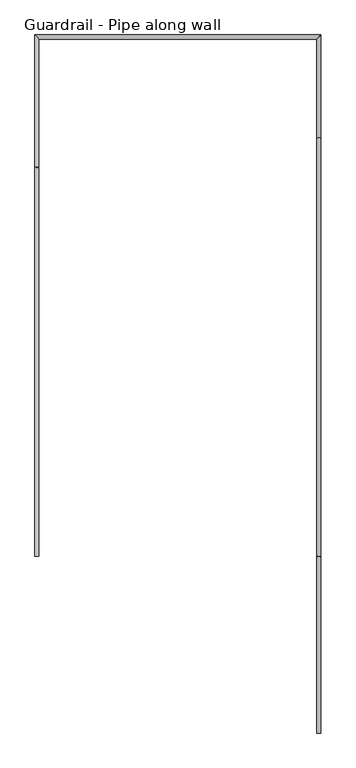
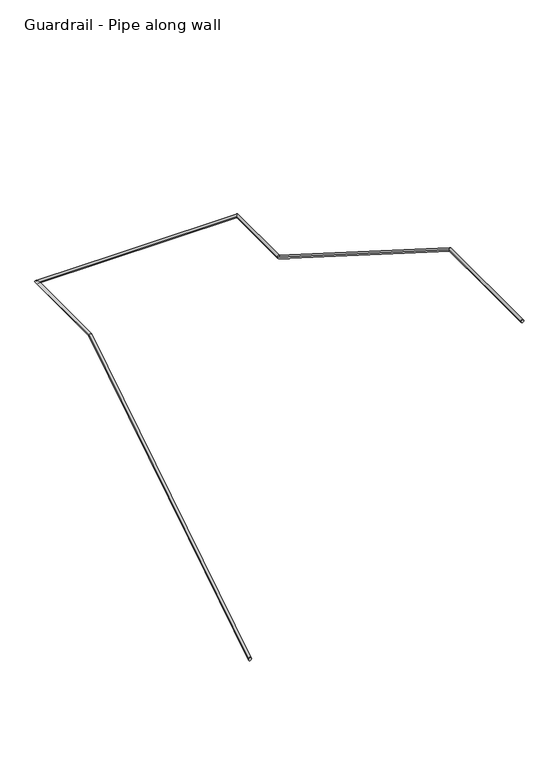
"""IFC4 building model written with IfcOpenShell, lengths in millimetres: railing geometry, Guardrail - Pipe along wall."""

import ifcopenshell
import ifcopenshell.guid

model = None  # the IFC model being written
_history = None  # IfcOwnerHistory: only IFC2X3 demands one
_inside = {}  # id of a spatial element -> (the spatial element, [elements in it])
_under = {}  # id of a project, library or spatial element -> (it, [spatial elements below it])
_declared = {}  # id of a project -> (the project, [libraries it declares])
_typed = {}  # id of a type object -> (the type object, [elements of that type])
_made_of = {}  # id of a material, layer set ... -> (it, [elements and type objects made of it])


def new_model(schema):
    """Start an empty IFC model of exactly this schema.

    Asked for "IFC4X3", IfcOpenShell would pick the latest addendum, in which some entities
    have other attributes; the version numbers below select the first issue.
    IFC2X3 requires an IfcOwnerHistory on every rooted entity: one is made here for all.
    """
    global model, _history
    if schema == "IFC4X3":
        model = ifcopenshell.file(schema_version=(4, 3, 0, 0))
    else:
        model = ifcopenshell.file(schema=schema)
    _inside.clear()
    _under.clear()
    _declared.clear()
    _typed.clear()
    _made_of.clear()
    _history = None
    if model.schema == "IFC2X3":
        org = make("IfcOrganization", Name="unknown")
        user = make(
            "IfcPersonAndOrganization",
            ThePerson=make("IfcPerson", FamilyName="unknown"),
            TheOrganization=org,
        )
        app = make(
            "IfcApplication",
            ApplicationDeveloper=org,
            Version="unknown",
            ApplicationFullName="unknown",
            ApplicationIdentifier="unknown",
        )
        _history = make(
            "IfcOwnerHistory",
            OwningUser=user,
            OwningApplication=app,
            ChangeAction="ADDED",
            CreationDate=0,
        )
    return model


def make(cls, **values):
    """One entity of the class cls with the attributes given. An attribute that is None is left unset."""
    return model.create_entity(
        cls, **{name: value for name, value in values.items() if value is not None}
    )


def rooted(cls, **values):
    """An entity with a GlobalId (a new one), such as an element, a storey or a relation."""
    return make(cls, GlobalId=ifcopenshell.guid.new(), OwnerHistory=_history, **values)


def si_unit(unit_type, name, prefix=None):
    """IfcSIUnit, for example si_unit("LENGTHUNIT", "METRE", prefix="MILLI")."""
    return make("IfcSIUnit", UnitType=unit_type, Prefix=prefix, Name=name)


def assignment(units):
    """IfcUnitAssignment: the units of a project."""
    return None if units is None else make("IfcUnitAssignment", Units=units)


def point(xyz):
    """IfcCartesianPoint."""
    return None if xyz is None else make("IfcCartesianPoint", Coordinates=xyz)


def direction(xyz):
    """IfcDirection."""
    return None if xyz is None else make("IfcDirection", DirectionRatios=xyz)


def frame(location, z_axis=None, x_axis=None):
    """IfcAxis2Placement3D, a coordinate frame: its origin and axes. An axis left out is left unset."""
    return make(
        "IfcAxis2Placement3D",
        Location=point(location),
        Axis=direction(z_axis),
        RefDirection=direction(x_axis),
    )


def origin():
    """The frame at (0, 0, 0) with its axes left unset."""
    return frame((0.0, 0.0, 0.0))


def place(relative_to, where):
    """IfcLocalPlacement: puts the frame where relative to a parent placement (None: the world)."""
    return make(
        "IfcLocalPlacement", PlacementRelTo=relative_to, RelativePlacement=where
    )


def context(
    kind, dimensions, precision=None, world=None, true_north=None, identifier=None
):
    """IfcGeometricRepresentationContext, for example the 3D "Model" context."""
    return make(
        "IfcGeometricRepresentationContext",
        ContextIdentifier=identifier,
        ContextType=kind,
        CoordinateSpaceDimension=dimensions,
        Precision=precision,
        WorldCoordinateSystem=world,
        TrueNorth=true_north,
    )


def project(units=None, contexts=None):
    """IfcProject with its units and contexts."""
    return rooted(
        "IfcProject",
        Name="project",
        RepresentationContexts=contexts,
        UnitsInContext=assignment(units),
    )


def spatial(cls, under=None, at=None, **own):
    """A site, building, storey or space (cls), placed at a placement, below another one or the project."""
    s = rooted(cls, ObjectPlacement=at, **own)
    if under is not None:
        _under.setdefault(under.id(), (under, []))[1].append(s)
    return s


def circle_curve(where, radius):
    """IfcCircle in the frame where."""
    return make("IfcCircle", Position=where, Radius=radius)


def ellipse_curve(where, semi_axis1, semi_axis2):
    """IfcEllipse in the frame where."""
    return make(
        "IfcEllipse", Position=where, SemiAxis1=semi_axis1, SemiAxis2=semi_axis2
    )


def shape(context_of_items, identifier, shape_type, items):
    """IfcShapeRepresentation: the items that make up one representation, for example the "Body"."""
    return make(
        "IfcShapeRepresentation",
        ContextOfItems=context_of_items,
        RepresentationIdentifier=identifier,
        RepresentationType=shape_type,
        Items=items,
    )


def source(mapping_origin, context_of_items, identifier, shape_type, items):
    """IfcRepresentationMap: a shape defined once, which mapped items show again and again."""
    return make(
        "IfcRepresentationMap",
        MappingOrigin=mapping_origin,
        MappedRepresentation=shape(context_of_items, identifier, shape_type, items),
    )


def transform(
    local_origin,
    x_axis=None,
    y_axis=None,
    z_axis=None,
    scale=None,
    scale2=None,
    scale3=None,
    uniform=True,
):
    """IfcCartesianTransformationOperator3D, or its non-uniform kind. x_axis, y_axis, z_axis: its Axis1, 2, 3."""
    if uniform:
        return make(
            "IfcCartesianTransformationOperator3D",
            Axis1=direction(x_axis),
            Axis2=direction(y_axis),
            LocalOrigin=point(local_origin),
            Scale=scale,
            Axis3=direction(z_axis),
        )
    return make(
        "IfcCartesianTransformationOperator3DnonUniform",
        Axis1=direction(x_axis),
        Axis2=direction(y_axis),
        LocalOrigin=point(local_origin),
        Scale=scale,
        Axis3=direction(z_axis),
        Scale2=scale2,
        Scale3=scale3,
    )


def mapped(mapping_source, mapping_target):
    """IfcMappedItem: shows the shape of a source again, moved by a transform."""
    return make(
        "IfcMappedItem", MappingSource=mapping_source, MappingTarget=mapping_target
    )


def made_of(thing, what):
    """Note that an element or type object is made of a material, layer set ...; save() writes the relation."""
    if what is not None:
        _made_of.setdefault(what.id(), (what, []))[1].append(thing)
    return thing


def element(
    cls,
    number,
    at=None,
    inside=None,
    cuts=None,
    type_object=None,
    material=None,
    context=None,
    identifier="Body",
    shape_type=None,
    held_by="IfcProductDefinitionShape",
    body=None,
    shapes=None,
    **own,
):
    """One element of the class cls, such as IfcWall. Its Tag is "e" and its number.

    at: its placement. inside: the storey or other place that contains it. cuts: it is an
    opening in that element (IfcRelVoidsElement). A single representation is given by context,
    identifier, shape_type and body (its items); several are given by shapes. held_by: the class
    of the entity that holds the representations. save() writes the other relations.
    """
    e = rooted(cls, Tag="e%d" % number, ObjectPlacement=at, **own)
    if body is not None:
        shapes = [shape(context, identifier, shape_type, body)]
    if shapes is not None:
        e.Representation = make(held_by, Representations=shapes)
    if inside is not None:
        _inside.setdefault(inside.id(), (inside, []))[1].append(e)
    if cuts is not None:
        rooted(
            "IfcRelVoidsElement", RelatingBuildingElement=cuts, RelatedOpeningElement=e
        )
    if type_object is not None:
        _typed.setdefault(type_object.id(), (type_object, []))[1].append(e)
    return made_of(e, material)


def aggregate(whole, parts):
    """IfcRelAggregates: a whole, such as a stair, and the parts it consists of."""
    return rooted("IfcRelAggregates", RelatingObject=whole, RelatedObjects=parts)


def save(model, path):
    """Write the relations noted so far, then the file.

    IfcRelAggregates (storeys below a building ...), IfcRelContainedInSpatialStructure (elements
    in a storey), IfcRelDefinesByType, IfcRelAssociatesMaterial and IfcRelDeclares: one each for
    every whole, place, type object, material and project.
    """
    for whole, parts in _under.values():
        aggregate(whole, parts)
    for where, things in _inside.values():
        rooted(
            "IfcRelContainedInSpatialStructure",
            RelatedElements=things,
            RelatingStructure=where,
        )
    for kind, things in _typed.values():
        rooted("IfcRelDefinesByType", RelatedObjects=things, RelatingType=kind)
    for what, things in _made_of.values():
        rooted("IfcRelAssociatesMaterial", RelatedObjects=things, RelatingMaterial=what)
    for by, libraries in _declared.values():
        rooted("IfcRelDeclares", RelatingContext=by, RelatedDefinitions=libraries)
    model.write(path)


def plane_surface(at):
    """IfcPlane: the flat surface through the origin of the frame at, square to its z axis."""
    return make("IfcPlane", Position=at)


def cylinder_surface(at, radius):
    """IfcCylindricalSurface: all points at the distance radius from the z axis of the frame at."""
    return make("IfcCylindricalSurface", Position=at, Radius=radius)


def advanced_brep(points, edges, surfaces, faces):
    """IfcAdvancedBrep: a solid bounded by faces that lie on surfaces and meet in shared edges.

    An edge is (start, end): straight between two places in points (the first is 0);
    or (start, end, curve); or (start, end, curve, False) where it runs against its curve.
    A face is (place in surfaces, loops), or (place, loops, False) where it looks against
    its surface's normal. A loop lists edges by number (the first is 1), with a minus sign
    where the edge is run from its end to its start. The first loop is the outer one.
    """
    corners = [point(p) for p in points]
    vertices = [make("IfcVertexPoint", VertexGeometry=c) for c in corners]
    made = []
    for start, end, *more in edges:
        made.append(
            make(
                "IfcEdgeCurve",
                EdgeStart=vertices[start],
                EdgeEnd=vertices[end],
                EdgeGeometry=more[0] if more else make("IfcPolyline", Points=[corners[start], corners[end]]),
                SameSense=more[1] if len(more) > 1 else True,
            )
        )
    hull = []
    for where, loops, *sense in faces:
        bounds = []
        for j, loop in enumerate(loops):
            ring = [make("IfcOrientedEdge", EdgeElement=made[abs(k) - 1], Orientation=k > 0) for k in loop]
            bounds.append(
                make(
                    "IfcFaceOuterBound" if j == 0 else "IfcFaceBound",
                    Bound=make("IfcEdgeLoop", EdgeList=ring),
                    Orientation=True,
                )
            )
        hull.append(make("IfcAdvancedFace", Bounds=bounds, FaceSurface=surfaces[where], SameSense=sense[0] if sense else True))
    return make("IfcAdvancedBrep", Outer=make("IfcClosedShell", CfsFaces=hull))


def guardrail_pipe_along_wall_4e4a6206(model_context):
    return source(origin(), model_context, "Body", "AdvancedBrep", [
        advanced_brep(
        [(574003.2754676, -284201.4080223, 916.3134838), (573965.1754676, -284201.4080223, 916.3134838), (573965.1754676, -280563.6854408, 3218.9796296), (574003.2754676, -280563.6854408, 3218.9796296), (573965.1754676, -279330.9580223, 3218.9796296), (574003.2754676, -279369.0580223, 3218.9796296), (576636.1957983, -279330.9580223, 3218.9796296), (576598.0957983, -279369.0580223, 3218.9796296), (576636.1957983, -280295.3306039, 3218.9796296), (576598.0957983, -280295.3306039, 3218.9796296), (576636.1957983, -284206.9306039, 5695.0092593), (576598.0957983, -284206.9306039, 5695.0092593), (576598.0957983, -285852.4080223, 5695.0092593), (576636.1957983, -285852.4080223, 5695.0092593)],
        [
            (0, 1, ellipse_curve(frame((573984.2254676, -284201.4080223, 916.3134838), z_axis=(0.0, -1.0, 0.0), x_axis=(0.0, 0.0, -1.0)), 22.5457755, 19.05)),
            (1, 0, ellipse_curve(frame((573984.2254676, -284201.4080223, 916.3134838), z_axis=(0.0, -1.0, 0.0), x_axis=(0.0, 0.0, -1.0)), 22.5457755, 19.05)),
            (1, 2),
            (2, 3, ellipse_curve(frame((573984.2254676, -280563.6854408, 3218.9796296), z_axis=(0.0, -0.9604550090529089, -0.278435226911353), x_axis=(0.0, 0.27843522691135303, -0.960455009052909)), 19.8343492, 19.05)),
            (3, 0),
            (3, 2, ellipse_curve(frame((573984.2254676, -280563.6854408, 3218.9796296), z_axis=(0.0, -0.9604550090529089, -0.278435226911353), x_axis=(0.0, 0.27843522691135303, -0.960455009052909)), 19.8343492, 19.05)),
            (2, 4),
            (4, 5, ellipse_curve(frame((573984.2254676, -279350.0080223, 3218.9796296), z_axis=(-0.7071067811864936, -0.7071067811866013, 0.0), x_axis=(0.7071067811866013, -0.7071067811864937, 0.0)), 26.9407684, 19.05)),
            (5, 3),
            (5, 4, ellipse_curve(frame((573984.2254676, -279350.0080223, 3218.9796296), z_axis=(-0.7071067811864936, -0.7071067811866013, 0.0), x_axis=(0.7071067811866013, -0.7071067811864937, 0.0)), 26.9407684, 19.05)),
            (4, 6),
            (6, 7, ellipse_curve(frame((576617.1457983, -279350.0080223, 3218.9796296), z_axis=(-0.7071067811866013, 0.7071067811864936, 0.0), x_axis=(-0.7071067811864937, -0.7071067811866012, 0.0)), 26.9407684, 19.05)),
            (7, 5),
            (7, 6, ellipse_curve(frame((576617.1457983, -279350.0080223, 3218.9796296), z_axis=(-0.7071067811866013, 0.7071067811864936, 0.0), x_axis=(-0.7071067811864937, -0.7071067811866012, 0.0)), 26.9407684, 19.05)),
            (6, 8),
            (8, 9, ellipse_curve(frame((576617.1457983, -280295.3306039, 3218.9796296), z_axis=(0.0, 0.9604550090529091, -0.27843522691135225), x_axis=(0.0, 0.2784352269113522, 0.9604550090529093)), 19.8343492, 19.05)),
            (9, 7),
            (9, 8, ellipse_curve(frame((576617.1457983, -280295.3306039, 3218.9796296), z_axis=(0.0, 0.9604550090529091, -0.27843522691135225), x_axis=(0.0, 0.2784352269113522, 0.9604550090529093)), 19.8343492, 19.05)),
            (8, 10),
            (10, 11, ellipse_curve(frame((576617.1457983, -284206.9306039, 5695.0092593), z_axis=(0.0, 0.9604550090529091, -0.2784352269113522), x_axis=(0.0, -0.2784352269113524, -0.960455009052909)), 19.8343492, 19.05)),
            (11, 9),
            (11, 10, ellipse_curve(frame((576617.1457983, -284206.9306039, 5695.0092593), z_axis=(0.0, 0.9604550090529091, -0.2784352269113522), x_axis=(0.0, -0.2784352269113524, -0.960455009052909)), 19.8343492, 19.05)),
            (12, 13, circle_curve(frame((576617.1457983, -285852.4080223, 5695.0092593), z_axis=(0.0, -1.0, 0.0), x_axis=(1.0, 0.0, 0.0)), 19.05)),
            (13, 12, circle_curve(frame((576617.1457983, -285852.4080223, 5695.0092593), z_axis=(0.0, -1.0, 0.0), x_axis=(1.0, 0.0, 0.0)), 19.05)),
            (10, 13),
            (12, 11),
        ],
        [
            plane_surface(frame((573984.2254676, -284201.4080223, 938.8592593), z_axis=(0.0, -1.0, 0.0), x_axis=(0.0, 0.0, 1.0))),
            cylinder_surface(frame((573984.2254676, -284191.2191486, 922.7630065), z_axis=(0.0, -0.8449476488296469, -0.5348490167675845), x_axis=(-1.0, 0.0, 0.0)), 19.05),
            cylinder_surface(frame((573984.2254676, -280569.2080223, 3218.9796296), z_axis=(0.0, -1.0, 0.0), x_axis=(-1.0, 0.0, 0.0)), 19.05),
            cylinder_surface(frame((573984.2254676, -279350.0080223, 3218.9796296), z_axis=(-1.0, 0.0, 0.0), x_axis=(0.0, 1.0, 0.0)), 19.05),
            cylinder_surface(frame((576617.1457983, -279350.0080223, 3218.9796296), z_axis=(0.0, 1.0, 0.0), x_axis=(1.0, 0.0, 0.0)), 19.05),
            cylinder_surface(frame((576617.1457983, -280299.9968961, 3221.9333769), z_axis=(0.0, 0.8449476488296477, -0.5348490167675832), x_axis=(1.0, 0.0, 0.0)), 19.05),
            plane_surface(frame((576617.1457983, -285852.4080223, 5714.0592593), z_axis=(0.0, -1.0, 0.0), x_axis=(0.0, 0.0, -1.0))),
            cylinder_surface(frame((576617.1457983, -284201.4080223, 5695.0092593), z_axis=(0.0, 1.0, 0.0), x_axis=(1.0, 0.0, 0.0)), 19.05),
        ],
        [
            (0, [[1, 2]]),
            (1, [[-2, 3, 4, 5]]),
            (1, [[-1, -5, 6, -3]]),
            (2, [[-4, 7, 8, 9]]),
            (2, [[-6, -9, 10, -7]]),
            (3, [[-8, 11, 12, 13]]),
            (3, [[-10, -13, 14, -11]]),
            (4, [[-12, 15, 16, 17]]),
            (4, [[-14, -17, 18, -15]]),
            (5, [[-16, 19, 20, 21]]),
            (5, [[-18, -21, 22, -19]]),
            (6, [[23, 24]]),
            (7, [[-20, 25, -23, 26]]),
            (7, [[-22, -26, -24, -25]]),
        ],
    ),
    ])


if __name__ == "__main__":
    model = new_model("IFC4")
    model_context = context("Model", 3, world=origin())
    ifc_project = project(units=[si_unit("LENGTHUNIT", "METRE", prefix="MILLI")], contexts=[model_context])
    site = spatial("IfcSite", under=ifc_project)
    building = spatial("IfcBuilding", under=site)
    placement = place(None, origin())
    guardrail_pipe_along_wall_shape = guardrail_pipe_along_wall_4e4a6206(model_context)
    element("IfcRailing", 1, ObjectType="Guardrail - Pipe along wall", at=placement, inside=building, context=model_context, shape_type="MappedRepresentation", body=[
        mapped(guardrail_pipe_along_wall_shape, transform((0.0, 0.0, 0.0), x_axis=(1.0, 0.0, 0.0), y_axis=(0.0, 1.0, 0.0), z_axis=(0.0, 0.0, 1.0))),
    ])
    save(model, "model.ifc")
